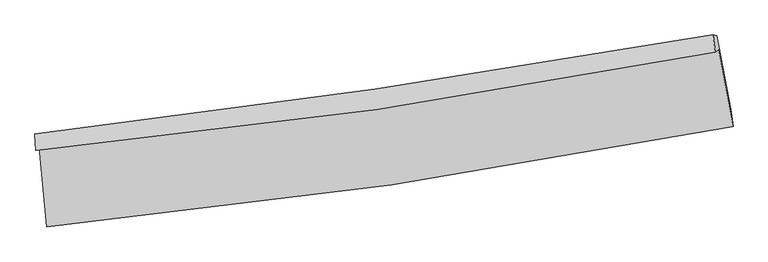
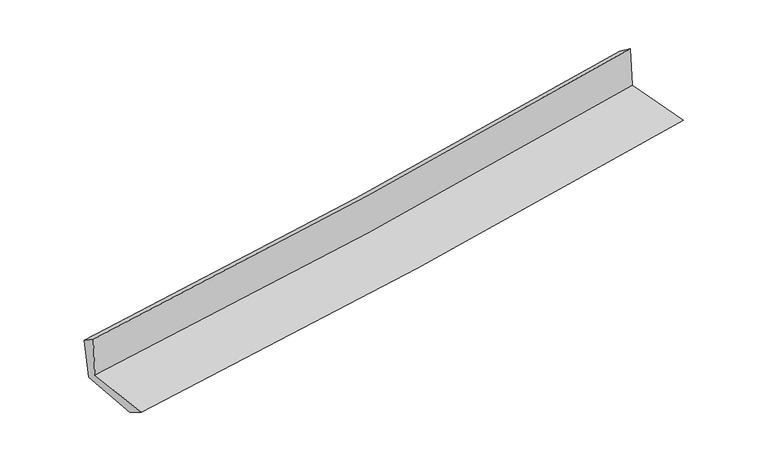
"""IFC4 building model written with IfcOpenShell, lengths in millimetres: proxy geometry."""

from ifc_helpers import new_model, si_unit, frame, origin, place, context, project, spatial, source, transform, mapped, element, save
from ifc_brep_helpers import plane_surface, spline_curve, spline_surface, advanced_brep


def generic_models_966297e2(model_context):
    return source(origin(), model_context, "Body", "AdvancedBrep", [
        advanced_brep(
        [(-2937.3735063, -1889.7893434, 1627.426949), (-2870.0878776, -2572.0654437, 1626.1038098), (3007.395083, -1710.5916386, 2114.3453348), (2884.122286, -1049.3013934, 2120.2488126), (-2966.8012887, -1916.4637248, 2029.5574759), (2854.0795365, -1071.2460075, 2530.5432583), (-2973.4139978, -1772.0720808, 1934.1531913), (2835.7387953, -922.5659109, 2419.1254388), (-2940.3883901, -1793.0342958, 1545.7309326), (2868.3390192, -931.8174897, 2047.7319333), (-2879.6946921, -2390.0228835, 1521.7524241), (2987.2964966, -1560.3294984, 2020.5349021)],
        [
            (0, 1),
            (1, 2, spline_curve(3, [(-2870.0878776, -2572.0654437, 1626.1038098), (-1883.788238626, -2475.611973251, 1717.644645017), (-900.365594332, -2355.501181093, 1804.137182254), (1058.78400958, -2068.249645203, 1966.864383547), (2034.52235215, -1901.202502688, 2043.119021124), (3007.395083, -1710.5916386, 2114.3453348)], [4, 2, 4], [0.0, 9.742897514008346, 19.466501960952854])),
            (2, 3),
            (3, 0, spline_curve(3, [(2884.122286, -1049.3013934, 2120.2488126), (1920.750521143, -1234.177178997, 2045.414632959), (954.42372363, -1396.60858416, 1966.973335909), (-986.063135911, -1676.860388368, 1802.71370952), (-1960.234935563, -1794.591633387, 1716.881052376), (-2937.3735063, -1889.7893434, 1627.426949)], [4, 2, 4], [0.0, 9.723604446944508, 19.466501960952854])),
            (4, 0),
            (3, 5),
            (5, 4, spline_curve(3, [(2854.0795365, -1071.2460075, 2530.5432583), (1890.619284683, -1258.869591154, 2460.903600583), (924.299345217, -1423.069623527, 2384.383159842), (-1015.982903911, -1704.901906198, 2217.415230813), (-1989.956573034, -1822.441113052, 2126.940410975), (-2966.8012887, -1916.4637248, 2029.5574759)], [4, 2, 4], [0.0, 9.676879841739952, 19.3729600420274])),
            (6, 4),
            (5, 7),
            (7, 6, spline_curve(3, [(2835.7387953, -922.5659109, 2419.1254388), (1873.067881391, -1092.524017291, 2336.763268095), (908.118402058, -1248.239219923, 2255.207083314), (-1028.256811125, -1531.464519008, 2093.546466168), (-1999.69159607, -1658.918040069, 2013.445234751), (-2973.4139978, -1772.0720808, 1934.1531913)], [4, 2, 4], [0.0, 9.666291093177698, 19.351761535262153])),
            (8, 6),
            (7, 9),
            (9, 8, spline_curve(3, [(2868.3390192, -931.8174897, 2047.7319333), (1905.983750988, -1106.968758318, 1967.037520528), (941.227629226, -1266.257068168, 1884.899789859), (-995.005304082, -1553.392348308, 1717.571856399), (-1966.491651909, -1681.176306935, 1632.375919761), (-2940.3883901, -1793.0342958, 1545.7309326)], [4, 2, 4], [0.0, 9.657595671454319, 19.33435343881468])),
            (10, 8),
            (9, 11),
            (11, 10, spline_curve(3, [(2987.2964966, -1560.3294984, 2020.5349021), (2014.72711958, -1736.513961417, 1945.562436601), (1040.013186295, -1893.697633613, 1866.556194102), (-915.642024587, -2170.337570828, 1700.311391237), (-1896.59182087, -2289.71836032, 1613.056807581), (-2879.6946921, -2390.0228835, 1521.7524241)], [4, 2, 4], [0.0, 9.70345039560427, 19.42615386965846])),
            (1, 10),
            (11, 2),
        ],
        [
            spline_surface(3, 3, [[(-2937.3735063, -1889.7893434, 1627.426949), (-1960.234935543, -1794.591633293, 1716.881052288), (-986.063135818, -1676.860388404, 1802.713709606), (954.423723537, -1396.608584124, 1966.973335823), (1920.750521249, -1234.177178993, 2045.414633053), (2884.122286, -1049.3013934, 2120.2488126)], [(-2914.944963381, -2117.214710161, 1626.985902571), (-1934.752703203, -2021.598413247, 1717.135583148), (-957.497288677, -1903.073985898, 1803.188200473), (989.210485552, -1620.48893784, 1966.937018404), (1958.674464936, -1456.518953487, 2044.649429126), (2925.213218339, -1269.731475111, 2118.280986672)], [(-2892.516420519, -2344.640076939, 1626.544856229), (-1909.270470919, -2248.60519322, 1717.390114095), (-928.931441505, -2129.28758346, 1803.662691354), (1023.997247597, -1844.369291626, 1966.900700998), (1996.598408605, -1678.860728049, 2043.884225182), (2966.304150661, -1490.161556889, 2116.313160728)], [(-2870.0878776, -2572.0654437, 1626.1038098), (-1883.788238579, -2475.611973174, 1717.644644954), (-900.365594364, -2355.501180954, 1804.137182222), (1058.784009612, -2068.249645342, 1966.864383579), (2034.522352293, -1901.202502543, 2043.119021255), (3007.395083, -1710.5916386, 2114.3453348)]], [4, 4], [4, 2, 4], [0.0, 2.236878583206461], [0.0, 9.742897514008346, 19.466501960952854]),
            spline_surface(3, 3, [[(-2966.8012887, -1916.4637248, 2029.5574759), (-1989.956572921, -1822.441113187, 2126.940411053), (-1015.982903876, -1704.901906297, 2217.415230961), (924.299345182, -1423.069623428, 2384.383159694), (1890.619284537, -1258.869591187, 2460.903600582), (2854.0795365, -1071.2460075, 2530.5432583)], [(-2956.992027913, -1907.572264332, 1895.513966942), (-1980.049360474, -1813.157953221, 1990.25395814), (-1006.009647843, -1695.554733664, 2079.181390514), (934.340804647, -1414.249276991, 2245.246551742), (1900.663030093, -1250.638787114, 2322.407278073), (2864.093786318, -1063.931136126, 2393.778443067)], [(-2947.182767087, -1898.680803868, 1761.470457958), (-1970.142147989, -1803.874793259, 1853.567505201), (-996.036391851, -1686.207561038, 1940.947550053), (944.382264071, -1405.428930561, 2106.109943776), (1910.706775693, -1242.407983065, 2183.910955562), (2874.108036182, -1056.616264774, 2257.013627833)], [(-2937.3735063, -1889.7893434, 1627.426949), (-1960.234935543, -1794.591633293, 1716.881052288), (-986.063135818, -1676.860388404, 1802.713709606), (954.423723537, -1396.608584124, 1966.973335823), (1920.750521249, -1234.177178993, 2045.414633053), (2884.122286, -1049.3013934, 2120.2488126)]], [4, 4], [4, 2, 4], [0.0, 1.371469999344434], [0.0, 9.696080200287449, 19.3729600420274]),
            spline_surface(3, 3, [[(-2973.4139978, -1772.0720808, 1934.1531913), (-1999.6915962, -1658.918039936, 2013.445234865), (-1028.256811221, -1531.464519166, 2093.546466043), (908.118402153, -1248.239219765, 2255.207083439), (1873.067881542, -1092.524017196, 2336.763268097), (2835.7387953, -922.5659109, 2419.1254388)], [(-2971.209761448, -1820.202628814, 1965.954619518), (-1996.446588455, -1713.425731034, 2051.276960279), (-1024.165508787, -1589.276981566, 2134.836054336), (913.512049815, -1306.51602101, 2298.26577551), (1878.918349193, -1147.972541869, 2378.143378948), (2841.852375686, -972.125943109, 2456.264711989)], [(-2969.005525052, -1868.333176786, 1997.756047682), (-1993.201580666, -1767.93342209, 2089.108685638), (-1020.07420631, -1647.089443897, 2176.125642669), (918.90569752, -1364.792822184, 2341.324467623), (1884.768816886, -1203.421066514, 2419.523489732), (2847.965956114, -1021.685975291, 2493.403985111)], [(-2966.8012887, -1916.4637248, 2029.5574759), (-1989.956572921, -1822.441113187, 2126.940411053), (-1015.982903876, -1704.901906297, 2217.415230961), (924.299345182, -1423.069623428, 2384.383159694), (1890.619284537, -1258.869591187, 2460.903600582), (2854.0795365, -1071.2460075, 2530.5432583)]], [4, 4], [4, 2, 4], [0.0, 0.7077116069741347], [0.0, 9.685470442084455, 19.351761535262153]),
            spline_surface(3, 3, [[(-2940.3883901, -1793.0342958, 1545.7309326), (-1966.491651897, -1681.176307005, 1632.375919893), (-995.005303934, -1553.392348267, 1717.571856281), (941.227629079, -1266.25706821, 1884.899789977), (1905.983750894, -1106.968758254, 1967.037520511), (2868.3390192, -931.8174897, 2047.7319333)], [(-2951.396925995, -1786.046890796, 1675.20501882), (-1977.558299993, -1673.756884645, 1759.39902487), (-1006.089139683, -1546.083071879, 1842.89672621), (930.191220118, -1260.251118707, 2008.335554472), (1895.011794454, -1102.153844587, 2090.279436368), (2857.47227791, -928.73363012, 2171.529768462)], [(-2962.405461905, -1779.059485804, 1804.67910508), (-1988.624948104, -1666.337462296, 1886.422129888), (-1017.172975472, -1538.773795554, 1968.221596115), (919.154811115, -1254.245169268, 2131.771318944), (1884.039837983, -1097.338930862, 2213.52135224), (2846.60553659, -925.64977048, 2295.327603638)], [(-2973.4139978, -1772.0720808, 1934.1531913), (-1999.6915962, -1658.918039936, 2013.445234865), (-1028.256811221, -1531.464519166, 2093.546466043), (908.118402153, -1248.239219765, 2255.207083439), (1873.067881542, -1092.524017196, 2336.763268097), (2835.7387953, -922.5659109, 2419.1254388)]], [4, 4], [4, 2, 4], [0.0, 1.2308108428125841], [0.0, 9.676757767360362, 19.33435343881468]),
            spline_surface(3, 3, [[(-2879.6946921, -2390.0228835, 1521.7524241), (-1896.59182077, -2289.718360457, 1613.056807737), (-915.64202459, -2170.337570849, 1700.311391205), (1040.013186298, -1893.697633591, 1866.556194134), (2014.727119691, -1736.513961508, 1945.562436609), (2987.2964966, -1560.3294984, 2020.5349021)], [(-2899.925924744, -2191.026687576, 1529.745260282), (-1919.891764456, -2086.871009282, 1619.496511804), (-942.096451056, -1964.68916333, 1706.064879568), (1007.084667207, -1684.550778472, 1872.670726087), (1978.479330113, -1526.6655604, 1952.720797885), (2947.644004154, -1350.825495477, 2029.600579142)], [(-2920.157157456, -1992.030491724, 1537.738096418), (-1943.191708211, -1884.02365818, 1625.936215826), (-968.550877468, -1759.040755786, 1711.818367918), (974.156148171, -1475.403923329, 1878.785258025), (1942.231540473, -1316.817159361, 1959.879159235), (2907.991511646, -1141.321492623, 2038.666256258)], [(-2940.3883901, -1793.0342958, 1545.7309326), (-1966.491651897, -1681.176307005, 1632.375919893), (-995.005303934, -1553.392348267, 1717.571856281), (941.227629079, -1266.25706821, 1884.899789977), (1905.983750894, -1106.968758254, 1967.037520511), (2868.3390192, -931.8174897, 2047.7319333)]], [4, 4], [4, 2, 4], [0.0, 2.062912032898321], [0.0, 9.72270347405419, 19.42615386965846]),
            spline_surface(3, 3, [[(-2870.0878776, -2572.0654437, 1626.1038098), (-1883.788238579, -2475.611973174, 1717.644644954), (-900.365594364, -2355.501180954, 1804.137182222), (1058.784009612, -2068.249645342, 1966.864383579), (2034.522352293, -1901.202502543, 2043.119021255), (3007.395083, -1710.5916386, 2114.3453348)], [(-2873.290149119, -2511.384590321, 1591.320014567), (-1888.056099329, -2413.647435623, 1682.782032549), (-905.457737757, -2293.779977601, 1769.528585217), (1052.527068523, -2010.06564144, 1933.428320432), (2027.923941418, -1846.306322222, 2010.600159708), (3000.695554192, -1660.504258557, 2083.075190568)], [(-2876.492420581, -2450.703736879, 1556.536219333), (-1892.32396002, -2351.682898008, 1647.919420142), (-910.549881196, -2232.058774203, 1734.919988209), (1046.270127387, -1951.881637494, 1899.992257282), (2021.325530566, -1791.410141829, 1978.081298156), (2993.996025408, -1610.416878443, 2051.805046332)], [(-2879.6946921, -2390.0228835, 1521.7524241), (-1896.59182077, -2289.718360457, 1613.056807737), (-915.64202459, -2170.337570849, 1700.311391205), (1040.013186298, -1893.697633591, 1866.556194134), (2014.727119691, -1736.513961508, 1945.562436609), (2987.2964966, -1560.3294984, 2020.5349021)]], [4, 4], [4, 2, 4], [0.0, 0.68080928357663], [0.0, 9.77841439657379, 19.537465394891584]),
            plane_surface(frame((2906.1618694, -1207.6419898, 2208.7549467), z_axis=(0.9799270511977837, 0.18194327100213784, 0.0814838663040669), x_axis=(-0.08741498673544136, 0.024807395071030948, 0.9958630494419564))),
            plane_surface(frame((-2927.9599588, -2055.5746287, 1714.1207971), z_axis=(-0.9920707312220998, -0.09768401720017295, -0.07907905560946393), x_axis=(-0.09814306708664254, 0.9951704445623364, 0.0019299358612442285))),
        ],
        [
            (0, [[1, 2, 3, 4]]),
            (1, [[5, -4, 6, 7]]),
            (2, [[8, -7, 9, 10]]),
            (3, [[11, -10, 12, 13]]),
            (4, [[14, -13, 15, 16]]),
            (5, [[17, -16, 18, -2]]),
            (6, [[-12, -9, -6, -3, -18, -15]]),
            (7, [[-1, -5, -8, -11, -14, -17]]),
        ],
    ),
    ])


if __name__ == "__main__":
    model = new_model("IFC4")
    model_context = context("Model", 3, world=origin())
    ifc_project = project(units=[si_unit("LENGTHUNIT", "METRE", prefix="MILLI")], contexts=[model_context])
    site = spatial("IfcSite", under=ifc_project)
    building = spatial("IfcBuilding", under=site)
    placement = place(None, origin())
    generic_models_shape = generic_models_966297e2(model_context)
    element("IfcBuildingElementProxy", 1, Name="Generic Models", at=placement, inside=building, context=model_context, shape_type="MappedRepresentation", body=[
        mapped(generic_models_shape, transform((0.0, 0.0, 0.0), x_axis=(1.0, 0.0, 0.0), y_axis=(0.0, 1.0, 0.0), z_axis=(0.0, 0.0, 1.0))),
    ])
    save(model, "model.ifc")
